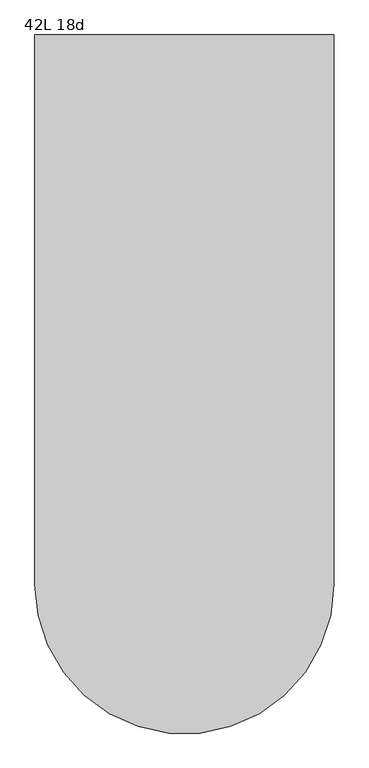
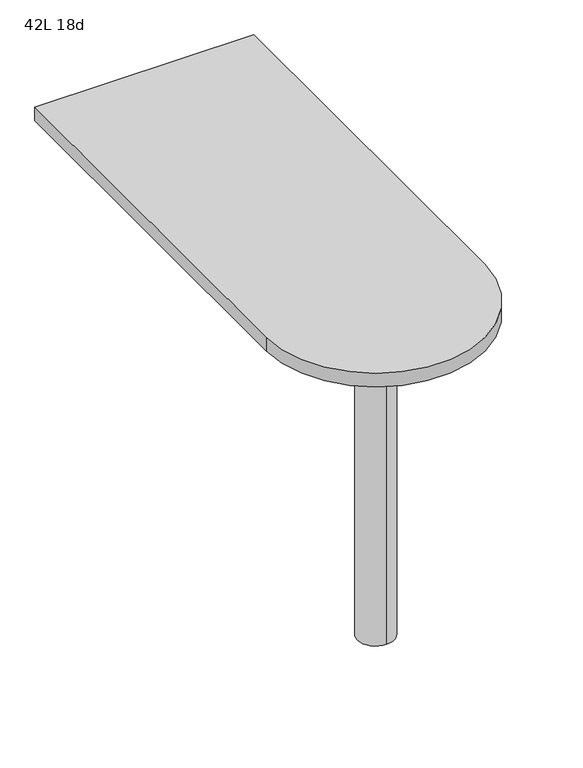
"""IFC4 building model written with IfcOpenShell, lengths in millimetres: furniture geometry, 42L 18d."""

from ifc_helpers import new_model, si_unit, point, frame, frame_2d, origin, place, context, project, spatial, polyline, circle_curve, trimmed, segment, composite_curve, outline, extrude, source, transform, mapped, element, save
from ifc_brep_helpers import plane_surface, cylinder_surface, advanced_brep


def furniture_42l_18d_63b81578(model_context):
    return source(origin(), model_context, "Body", "SolidModel", [
        advanced_brep(
        [(0.0, -266.7, 706.4375), (0.0, -342.9, 706.4375), (0.0, -304.8, 706.4375), (0.0, -266.7, 0.0), (0.0, -342.9, 0.0), (0.0, -304.8, 0.0)],
        [
            (0, 1, circle_curve(frame((0.0, -304.8, 706.4375), z_axis=(0.0, 0.0, 1.0), x_axis=(0.0, -1.0, 0.0)), 38.1)),
            (1, 2),
            (2, 0),
            (1, 0, circle_curve(frame((0.0, -304.8, 706.4375), z_axis=(0.0, 0.0, 1.0), x_axis=(0.0, -1.0, 0.0)), 38.1)),
            (3, 4, circle_curve(frame((0.0, -304.8, 0.0), z_axis=(0.0, 0.0, 1.0), x_axis=(0.0, -1.0, 0.0)), 38.1)),
            (4, 1),
            (0, 3),
            (4, 3, circle_curve(frame((0.0, -304.8, 0.0), z_axis=(0.0, 0.0, 1.0), x_axis=(0.0, -1.0, 0.0)), 38.1)),
            (5, 4),
            (3, 5),
        ],
        [
            plane_surface(frame((0.0, -304.8, 706.4375), z_axis=(0.0, 0.0, 1.0), x_axis=(0.0, -1.0, 0.0))),
            cylinder_surface(frame((0.0, -304.8, 889.623257), z_axis=(0.0, 0.0, -1.0), x_axis=(0.0, -1.0, 0.0)), 38.1),
            plane_surface(frame((0.0, -304.8, 0.0), z_axis=(0.0, 0.0, -1.0), x_axis=(0.0, -1.0, 0.0))),
        ],
        [
            (0, [[1, 2, 3]]),
            (0, [[4, -3, -2]]),
            (1, [[5, 6, -1, 7]]),
            (1, [[8, -7, -4, -6]]),
            (2, [[9, -5, 10]]),
            (2, [[-10, -8, -9]]),
        ],
    ),
        extrude(outline(composite_curve([segment(polyline([(-228.6, -304.8), (-228.6, 533.4), (228.6, 533.4), (228.6, -304.8)]), True, "CONTINUOUS"), segment(trimmed(circle_curve(frame_2d((0.0, -304.8)), 228.6), [point((228.6, -304.8))], [point((-228.6, -304.8))], False, "CARTESIAN"), True, "CONTINUOUS")], self_intersect=False)), frame((0.0, 0.0, 706.4375), z_axis=(0.0, 0.0, 1.0), x_axis=(1.0, 0.0, 0.0)), (0.0, 0.0, 1.0), 30.1625),
    ])


if __name__ == "__main__":
    model = new_model("IFC4")
    model_context = context("Model", 3, world=origin())
    ifc_project = project(units=[si_unit("LENGTHUNIT", "METRE", prefix="MILLI")], contexts=[model_context])
    site = spatial("IfcSite", under=ifc_project)
    building = spatial("IfcBuilding", under=site)
    placement = place(None, origin())
    furniture_42l_18d_shape = furniture_42l_18d_63b81578(model_context)
    element("IfcFurniture", 1, ObjectType="42L 18d", at=placement, inside=building, context=model_context, shape_type="MappedRepresentation", body=[
        mapped(furniture_42l_18d_shape, transform((0.0, 0.0, 0.0), x_axis=(1.0, 0.0, 0.0), y_axis=(0.0, 1.0, 0.0), z_axis=(0.0, 0.0, 1.0))),
    ])
    save(model, "model.ifc")
